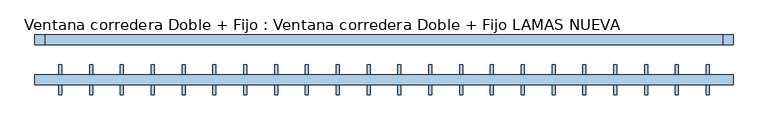
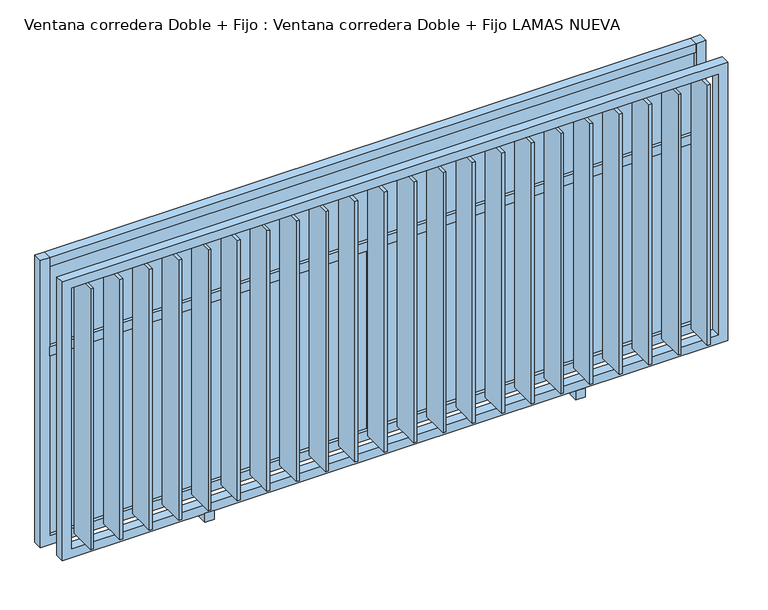
"""IFC4 building model written with IfcOpenShell, lengths in millimetres: window geometry, Ventana corredera Doble + Fijo : Ventana corredera Doble + Fijo LAMAS NUEVA."""

from ifc_helpers import new_model, si_unit, frame, origin, place, context, project, spatial, polyline, outline, extrude, source, transform, mapped, element, save


def ventana_corredera_doble_fijo_ventana_corredera_doble_fijo_1503ed59(model_context):
    return source(origin(), model_context, "Body", "SweptSolid", [
        extrude(outline(polyline([(1630.2272727, -174.65), (1615.2272727, -174.65), (1615.2272727, -25.35), (1630.2272727, -25.35), (1630.2272727, -174.65)])), frame((0.0, 0.0, 850.0), z_axis=(0.0, 0.0, 1.0), x_axis=(1.0, 0.0, 0.0)), (0.0, 0.0, 1.0), 1450.0),
        extrude(outline(polyline([(1475.6818182, -174.65), (1460.6818182, -174.65), (1460.6818182, -25.35), (1475.6818182, -25.35), (1475.6818182, -174.65)])), frame((0.0, 0.0, 850.0), z_axis=(0.0, 0.0, 1.0), x_axis=(1.0, 0.0, 0.0)), (0.0, 0.0, 1.0), 1450.0),
        extrude(outline(polyline([(1321.1363636, -174.65), (1306.1363636, -174.65), (1306.1363636, -25.35), (1321.1363636, -25.35), (1321.1363636, -174.65)])), frame((0.0, 0.0, 850.0), z_axis=(0.0, 0.0, 1.0), x_axis=(1.0, 0.0, 0.0)), (0.0, 0.0, 1.0), 1450.0),
        extrude(outline(polyline([(1166.5909091, -174.65), (1151.5909091, -174.65), (1151.5909091, -25.35), (1166.5909091, -25.35), (1166.5909091, -174.65)])), frame((0.0, 0.0, 850.0), z_axis=(0.0, 0.0, 1.0), x_axis=(1.0, 0.0, 0.0)), (0.0, 0.0, 1.0), 1450.0),
        extrude(outline(polyline([(1012.0454545, -174.65), (997.0454545, -174.65), (997.0454545, -25.35), (1012.0454545, -25.35), (1012.0454545, -174.65)])), frame((0.0, 0.0, 850.0), z_axis=(0.0, 0.0, 1.0), x_axis=(1.0, 0.0, 0.0)), (0.0, 0.0, 1.0), 1450.0),
        extrude(outline(polyline([(857.5, -174.65), (842.5, -174.65), (842.5, -25.35), (857.5, -25.35), (857.5, -174.65)])), frame((0.0, 0.0, 850.0), z_axis=(0.0, 0.0, 1.0), x_axis=(1.0, 0.0, 0.0)), (0.0, 0.0, 1.0), 1450.0),
        extrude(outline(polyline([(702.9545455, -174.65), (687.9545455, -174.65), (687.9545455, -25.35), (702.9545455, -25.35), (702.9545455, -174.65)])), frame((0.0, 0.0, 850.0), z_axis=(0.0, 0.0, 1.0), x_axis=(1.0, 0.0, 0.0)), (0.0, 0.0, 1.0), 1450.0),
        extrude(outline(polyline([(548.4090909, -174.65), (533.4090909, -174.65), (533.4090909, -25.35), (548.4090909, -25.35), (548.4090909, -174.65)])), frame((0.0, 0.0, 850.0), z_axis=(0.0, 0.0, 1.0), x_axis=(1.0, 0.0, 0.0)), (0.0, 0.0, 1.0), 1450.0),
        extrude(outline(polyline([(393.8636364, -174.65), (378.8636364, -174.65), (378.8636364, -25.35), (393.8636364, -25.35), (393.8636364, -174.65)])), frame((0.0, 0.0, 850.0), z_axis=(0.0, 0.0, 1.0), x_axis=(1.0, 0.0, 0.0)), (0.0, 0.0, 1.0), 1450.0),
        extrude(outline(polyline([(239.3181818, -174.65), (224.3181818, -174.65), (224.3181818, -25.35), (239.3181818, -25.35), (239.3181818, -174.65)])), frame((0.0, 0.0, 850.0), z_axis=(0.0, 0.0, 1.0), x_axis=(1.0, 0.0, 0.0)), (0.0, 0.0, 1.0), 1450.0),
        extrude(outline(polyline([(84.7727273, -174.65), (69.7727273, -174.65), (69.7727273, -25.35), (84.7727273, -25.35), (84.7727273, -174.65)])), frame((0.0, 0.0, 850.0), z_axis=(0.0, 0.0, 1.0), x_axis=(1.0, 0.0, 0.0)), (0.0, 0.0, 1.0), 1450.0),
        extrude(outline(polyline([(-69.7727273, -174.65), (-84.7727273, -174.65), (-84.7727273, -25.35), (-69.7727273, -25.35), (-69.7727273, -174.65)])), frame((0.0, 0.0, 850.0), z_axis=(0.0, 0.0, 1.0), x_axis=(1.0, 0.0, 0.0)), (0.0, 0.0, 1.0), 1450.0),
        extrude(outline(polyline([(-224.3181818, -174.65), (-239.3181818, -174.65), (-239.3181818, -25.35), (-224.3181818, -25.35), (-224.3181818, -174.65)])), frame((0.0, 0.0, 850.0), z_axis=(0.0, 0.0, 1.0), x_axis=(1.0, 0.0, 0.0)), (0.0, 0.0, 1.0), 1450.0),
        extrude(outline(polyline([(-378.8636364, -174.65), (-393.8636364, -174.65), (-393.8636364, -25.35), (-378.8636364, -25.35), (-378.8636364, -174.65)])), frame((0.0, 0.0, 850.0), z_axis=(0.0, 0.0, 1.0), x_axis=(1.0, 0.0, 0.0)), (0.0, 0.0, 1.0), 1450.0),
        extrude(outline(polyline([(-533.4090909, -174.65), (-548.4090909, -174.65), (-548.4090909, -25.35), (-533.4090909, -25.35), (-533.4090909, -174.65)])), frame((0.0, 0.0, 850.0), z_axis=(0.0, 0.0, 1.0), x_axis=(1.0, 0.0, 0.0)), (0.0, 0.0, 1.0), 1450.0),
        extrude(outline(polyline([(-687.9545455, -174.65), (-702.9545455, -174.65), (-702.9545455, -25.35), (-687.9545455, -25.35), (-687.9545455, -174.65)])), frame((0.0, 0.0, 850.0), z_axis=(0.0, 0.0, 1.0), x_axis=(1.0, 0.0, 0.0)), (0.0, 0.0, 1.0), 1450.0),
        extrude(outline(polyline([(-842.5, -174.65), (-857.5, -174.65), (-857.5, -25.35), (-842.5, -25.35), (-842.5, -174.65)])), frame((0.0, 0.0, 850.0), z_axis=(0.0, 0.0, 1.0), x_axis=(1.0, 0.0, 0.0)), (0.0, 0.0, 1.0), 1450.0),
        extrude(outline(polyline([(-997.0454545, -174.65), (-1012.0454545, -174.65), (-1012.0454545, -25.35), (-997.0454545, -25.35), (-997.0454545, -174.65)])), frame((0.0, 0.0, 850.0), z_axis=(0.0, 0.0, 1.0), x_axis=(1.0, 0.0, 0.0)), (0.0, 0.0, 1.0), 1450.0),
        extrude(outline(polyline([(-1151.5909091, -174.65), (-1166.5909091, -174.65), (-1166.5909091, -25.35), (-1151.5909091, -25.35), (-1151.5909091, -174.65)])), frame((0.0, 0.0, 850.0), z_axis=(0.0, 0.0, 1.0), x_axis=(1.0, 0.0, 0.0)), (0.0, 0.0, 1.0), 1450.0),
        extrude(outline(polyline([(-1306.1363636, -174.65), (-1321.1363636, -174.65), (-1321.1363636, -25.35), (-1306.1363636, -25.35), (-1306.1363636, -174.65)])), frame((0.0, 0.0, 850.0), z_axis=(0.0, 0.0, 1.0), x_axis=(1.0, 0.0, 0.0)), (0.0, 0.0, 1.0), 1450.0),
        extrude(outline(polyline([(-1460.6818182, -174.65), (-1475.6818182, -174.65), (-1475.6818182, -25.35), (-1460.6818182, -25.35), (-1460.6818182, -174.65)])), frame((0.0, 0.0, 850.0), z_axis=(0.0, 0.0, 1.0), x_axis=(1.0, 0.0, 0.0)), (0.0, 0.0, 1.0), 1450.0),
        extrude(outline(polyline([(-1615.2272727, -174.65), (-1630.2272727, -174.65), (-1630.2272727, -25.35), (-1615.2272727, -25.35), (-1615.2272727, -174.65)])), frame((0.0, 0.0, 850.0), z_axis=(0.0, 0.0, 1.0), x_axis=(1.0, 0.0, 0.0)), (0.0, 0.0, 1.0), 1450.0),
        extrude(outline(polyline([(-950.0, -75.0), (-950.0, -125.0), (-1000.0, -125.0), (-1000.0, -75.0), (-950.0, -75.0)])), frame((0.0, 0.0, 750.0), z_axis=(0.0, 0.0, 1.0), x_axis=(1.0, 0.0, 0.0)), (0.0, 0.0, 1.0), 50.0),
        extrude(outline(polyline([(1000.0, -75.0), (1000.0, -125.0), (950.0, -125.0), (950.0, -75.0), (1000.0, -75.0)])), frame((0.0, 0.0, 750.0), z_axis=(0.0, 0.0, 1.0), x_axis=(1.0, 0.0, 0.0)), (0.0, 0.0, 1.0), 50.0),
        extrude(outline(polyline([(2350.0, 1750.0), (2350.0, -1750.0), (800.0, -1750.0), (800.0, 1750.0), (2350.0, 1750.0)]), holes=[polyline([(2300.0, 1700.0), (850.0, 1700.0), (850.0, -1700.0), (2300.0, -1700.0), (2300.0, 1700.0)])]), frame((0.0, -125.0, 0.0), z_axis=(0.0, 1.0, 0.0), x_axis=(0.0, 0.0, 1.0)), (0.0, 0.0, 1.0), 50.0),
        extrude(outline(polyline([(1700.0, 125.0), (1700.0, 75.0), (-1700.0, 75.0), (-1700.0, 125.0), (1700.0, 125.0)])), frame((0.0, 0.0, 1800.0), z_axis=(0.0, 0.0, 1.0), x_axis=(1.0, 0.0, 0.0)), (0.0, 0.0, 1.0), 50.0),
        extrude(outline(polyline([(1700.0, 106.5), (1700.0, 93.5), (-1700.0, 93.5), (-1700.0, 106.5), (1700.0, 106.5)])), frame((0.0, 0.0, 1850.0), z_axis=(0.0, 0.0, 1.0), x_axis=(1.0, 0.0, 0.0)), (0.0, 0.0, 1.0), 450.0),
        extrude(outline(polyline([(-25.0, 93.5), (-1700.0, 93.5), (-1700.0, 106.5), (-25.0, 106.5), (-25.0, 93.5)])), frame((0.0, 0.0, 800.0), z_axis=(0.0, 0.0, 1.0), x_axis=(1.0, 0.0, 0.0)), (0.0, 0.0, 1.0), 1000.0),
        extrude(outline(polyline([(1700.0, 93.5), (25.0, 93.5), (25.0, 106.5), (1700.0, 106.5), (1700.0, 93.5)])), frame((0.0, 0.0, 800.0), z_axis=(0.0, 0.0, 1.0), x_axis=(1.0, 0.0, 0.0)), (0.0, 0.0, 1.0), 1000.0),
        extrude(outline(polyline([(2350.0, -1700.0), (2350.0, -1750.0), (750.0, -1750.0), (750.0, 1750.0), (2350.0, 1750.0), (2350.0, 1700.0), (800.0, 1700.0), (800.0, -1700.0), (2350.0, -1700.0)])), frame((0.0, 75.0, 0.0), z_axis=(0.0, 1.0, 0.0), x_axis=(0.0, 0.0, 1.0)), (0.0, 0.0, 1.0), 50.0),
        extrude(outline(polyline([(-25.0, 125.0), (25.0, 125.0), (25.0, 75.0), (-25.0, 75.0), (-25.0, 125.0)])), frame((0.0, 0.0, 800.0), z_axis=(0.0, 0.0, 1.0), x_axis=(1.0, 0.0, 0.0)), (0.0, 0.0, 1.0), 1000.0),
        extrude(outline(polyline([(1700.0, 75.0), (-1700.0, 75.0), (-1700.0, 125.0), (1700.0, 125.0), (1700.0, 75.0)])), frame((0.0, 0.0, 2300.0), z_axis=(0.0, 0.0, 1.0), x_axis=(1.0, 0.0, 0.0)), (0.0, 0.0, 1.0), 50.0),
    ])


if __name__ == "__main__":
    model = new_model("IFC4")
    model_context = context("Model", 3, world=origin())
    ifc_project = project(units=[si_unit("LENGTHUNIT", "METRE", prefix="MILLI")], contexts=[model_context])
    site = spatial("IfcSite", under=ifc_project)
    building = spatial("IfcBuilding", under=site)
    placement = place(None, origin())
    ventana_corredera_doble_fijo_ventana_corredera_doble_fijo_shape = ventana_corredera_doble_fijo_ventana_corredera_doble_fijo_1503ed59(model_context)
    element("IfcWindow", 1, ObjectType="Ventana corredera Doble + Fijo : Ventana corredera Doble + Fijo LAMAS NUEVA", at=placement, inside=building, context=model_context, shape_type="MappedRepresentation", body=[
        mapped(ventana_corredera_doble_fijo_ventana_corredera_doble_fijo_shape, transform((0.0, 0.0, 0.0), x_axis=(1.0, 0.0, 0.0), y_axis=(0.0, 1.0, 0.0), z_axis=(0.0, 0.0, 1.0))),
    ])
    save(model, "model.ifc")
